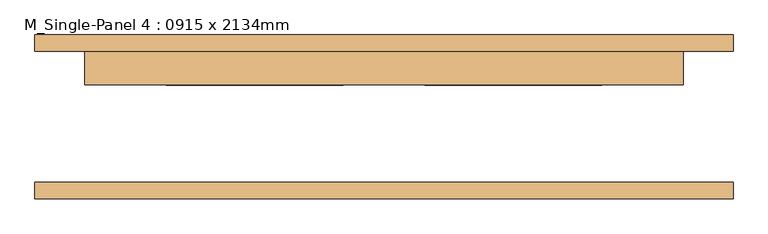
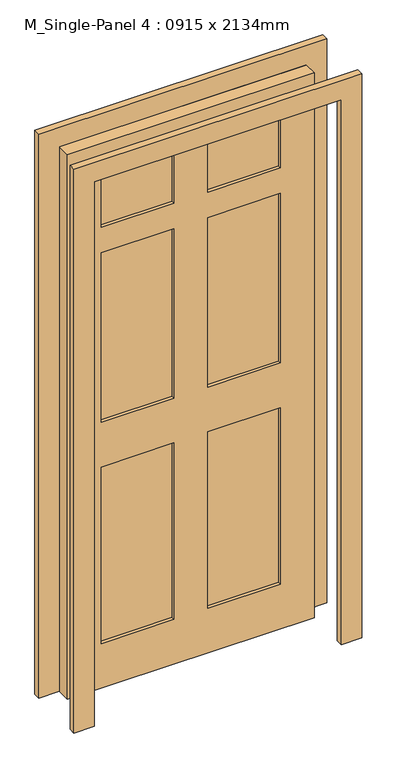
"""IFC4 building model written with IfcOpenShell, lengths in millimetres: door geometry, M_Single-Panel 4 : 0915 x 2134mm."""

from ifc_helpers import new_model, si_unit, frame, origin, place, context, project, spatial, polyline, outline, extrude, source, transform, mapped, element, save


def m_single_panel_4_0915_x_2134mm_bcbde638(model_context):
    return source(origin(), model_context, "Body", "SweptSolid", [
        extrude(outline(polyline([(0.0, -533.5), (0.0, -457.5), (2134.0, -457.5), (2134.0, 457.5), (0.0, 457.5), (0.0, 533.5), (2210.0, 533.5), (2210.0, -533.5), (0.0, -533.5)])), frame((0.0, -125.0, 0.0), z_axis=(0.0, 1.0, 0.0), x_axis=(0.0, 0.0, 1.0)), (0.0, 0.0, 1.0), 25.0),
        extrude(outline(polyline([(0.0, 533.5), (2210.0, 533.5), (2210.0, -533.5), (0.0, -533.5), (0.0, -457.5), (2134.0, -457.5), (2134.0, 457.5), (0.0, 457.5), (0.0, 533.5)])), frame((0.0, 100.4, 0.0), z_axis=(0.0, 1.0, 0.0), x_axis=(0.0, 0.0, 1.0)), (0.0, 0.0, 1.0), 25.0),
        extrude(outline(polyline([(-62.5, 61.7), (-332.5, 61.7), (-332.5, 87.3), (-62.5, 87.3), (-62.5, 61.7)])), frame((0.0, 0.0, 1805.4), z_axis=(0.0, 0.0, 1.0), x_axis=(1.0, 0.0, 0.0)), (0.0, 0.0, 1.0), 228.6),
        extrude(outline(polyline([(332.5, 61.7), (62.5, 61.7), (62.5, 87.3), (332.5, 87.3), (332.5, 61.7)])), frame((0.0, 0.0, 1805.4), z_axis=(0.0, 0.0, 1.0), x_axis=(1.0, 0.0, 0.0)), (0.0, 0.0, 1.0), 228.6),
        extrude(outline(polyline([(-62.5, 61.7), (-332.5, 61.7), (-332.5, 87.3), (-62.5, 87.3), (-62.5, 61.7)])), frame((0.0, 0.0, 1041.4), z_axis=(0.0, 0.0, 1.0), x_axis=(1.0, 0.0, 0.0)), (0.0, 0.0, 1.0), 664.0),
        extrude(outline(polyline([(332.5, 61.7), (62.5, 61.7), (62.5, 87.3), (332.5, 87.3), (332.5, 61.7)])), frame((0.0, 0.0, 1041.4), z_axis=(0.0, 0.0, 1.0), x_axis=(1.0, 0.0, 0.0)), (0.0, 0.0, 1.0), 664.0),
        extrude(outline(polyline([(-62.5, 61.7), (-332.5, 61.7), (-332.5, 87.3), (-62.5, 87.3), (-62.5, 61.7)])), frame((0.0, 0.0, 175.0), z_axis=(0.0, 0.0, 1.0), x_axis=(1.0, 0.0, 0.0)), (0.0, 0.0, 1.0), 691.4),
        extrude(outline(polyline([(332.5, 61.7), (62.5, 61.7), (62.5, 87.3), (332.5, 87.3), (332.5, 61.7)])), frame((0.0, 0.0, 175.0), z_axis=(0.0, 0.0, 1.0), x_axis=(1.0, 0.0, 0.0)), (0.0, 0.0, 1.0), 691.4),
        extrude(outline(polyline([(2134.0, 457.5), (2134.0, -457.5), (0.0, -457.5), (0.0, 457.5), (2134.0, 457.5)]), holes=[polyline([(2034.0, -62.5), (1805.4, -62.5), (1805.4, -332.5), (2034.0, -332.5), (2034.0, -62.5)]), polyline([(2034.0, 332.5), (1805.4, 332.5), (1805.4, 62.5), (2034.0, 62.5), (2034.0, 332.5)]), polyline([(1705.4, -62.5), (1041.4, -62.5), (1041.4, -332.5), (1705.4, -332.5), (1705.4, -62.5)]), polyline([(1705.4, 332.5), (1041.4, 332.5), (1041.4, 62.5), (1705.4, 62.5), (1705.4, 332.5)]), polyline([(866.4, -62.5), (175.0, -62.5), (175.0, -332.5), (866.4, -332.5), (866.4, -62.5)]), polyline([(866.4, 332.5), (175.0, 332.5), (175.0, 62.5), (866.4, 62.5), (866.4, 332.5)])]), frame((0.0, 49.0, 0.0), z_axis=(0.0, 1.0, 0.0), x_axis=(0.0, 0.0, 1.0)), (0.0, 0.0, 1.0), 51.0),
    ])


if __name__ == "__main__":
    model = new_model("IFC4")
    model_context = context("Model", 3, world=origin())
    ifc_project = project(units=[si_unit("LENGTHUNIT", "METRE", prefix="MILLI")], contexts=[model_context])
    site = spatial("IfcSite", under=ifc_project)
    building = spatial("IfcBuilding", under=site)
    placement = place(None, origin())
    m_single_panel_4_0915_x_2134mm_shape = m_single_panel_4_0915_x_2134mm_bcbde638(model_context)
    element("IfcDoor", 1, ObjectType="M_Single-Panel 4 : 0915 x 2134mm", at=placement, inside=building, context=model_context, shape_type="MappedRepresentation", body=[
        mapped(m_single_panel_4_0915_x_2134mm_shape, transform((0.0, 0.0, 0.0), x_axis=(1.0, 0.0, 0.0), y_axis=(0.0, 1.0, 0.0), z_axis=(0.0, 0.0, 1.0))),
    ])
    save(model, "model.ifc")
